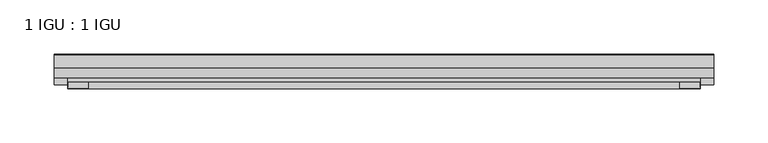
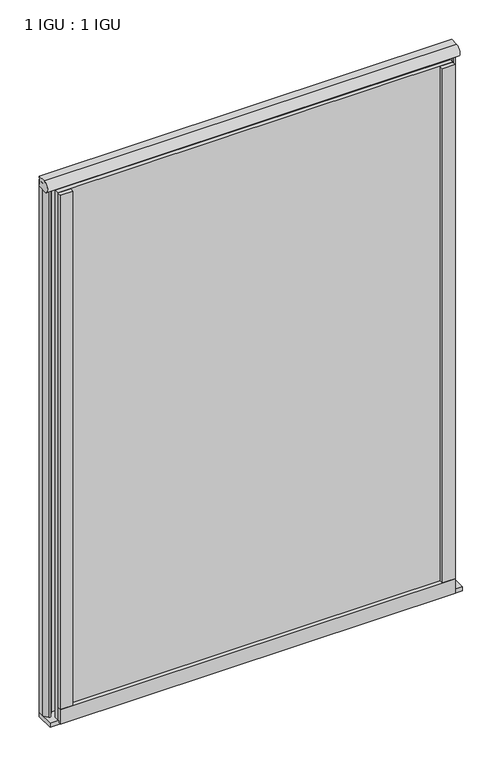
"""IFC4 building model written with IfcOpenShell, lengths in millimetres: plate geometry, 1 IGU : 1 IGU."""

from ifc_helpers import new_model, si_unit, point, frame, frame_2d, origin, place, context, project, spatial, polyline, circle_curve, ellipse_curve, trimmed, segment, composite_curve, outline, extrude, source, transform, mapped, element, save
from ifc_brep_helpers import plane_surface, revolved_surface, extruded_surface, advanced_brep


def plate_1_igu_1_igu_b84d0bbd(model_context):
    return source(origin(), model_context, "Body", "SolidModel", [
        extrude(outline(polyline([(292.1, 0.0021347), (292.1, -6.2992), (-292.1, -6.2992), (-292.1, 0.0021347), (292.1, 0.0021347)])), frame((0.0, 0.0, -19.05), z_axis=(0.0, 0.0, 1.0), x_axis=(1.0, 0.0, 0.0)), (0.0, 0.0, 1.0), 822.3250001),
        extrude(outline(polyline([(-292.1, -19.0986653), (292.1, -19.0986653), (292.1, -25.3978653), (-292.1, -25.3978653), (-292.1, -19.0986653)])), frame((0.0, 0.0, -19.05), z_axis=(0.0, 0.0, 1.0), x_axis=(1.0, 0.0, 0.0)), (0.0, 0.0, 1.0), 822.3250001),
        advanced_brep(
        [(304.8, -0.8454205, 819.1500001), (304.8, -12.7, 819.1500001), (304.8, -17.3907831, 803.2750001), (304.8, 0.0, 803.2750001), (-304.8, -0.8454205, 819.1500001), (-304.8, 0.0, 803.2750001), (-304.8, -17.3907831, 803.2750001), (-304.8, -12.7, 819.1500001)],
        [
            (0, 1),
            (1, 2, ellipse_curve(frame((304.8, -12.7, 810.6263315), z_axis=(1.0, 0.0, 0.0), x_axis=(0.0, -1.0, 0.0)), 9.2680588, 8.5236686)),
            (2, 3),
            (3, 0, circle_curve(frame((304.8, 29.6035756, 812.8115449), z_axis=(-1.0, 0.0, 0.0), x_axis=(0.0, 0.0, 1.0)), 31.1017263)),
            (4, 5, circle_curve(frame((-304.8, 29.6035756, 812.8115449), z_axis=(1.0, 0.0, 0.0), x_axis=(0.0, 0.0, 1.0)), 31.1017263)),
            (5, 6),
            (6, 7, ellipse_curve(frame((-304.8, -12.7, 810.6263315), z_axis=(-1.0, 0.0, 0.0), x_axis=(0.0, -1.0, 0.0)), 9.2680588, 8.5236686)),
            (7, 4),
            (0, 4),
            (7, 1),
            (6, 2),
            (5, 3),
        ],
        [
            plane_surface(frame((304.8, 0.0, 809.6250001), z_axis=(1.0, 0.0, 0.0), x_axis=(0.0, 1.0, 0.0))),
            plane_surface(frame((-304.8, 0.0, 809.6250001), z_axis=(-1.0, 0.0, 0.0), x_axis=(0.0, 1.0, 0.0))),
            plane_surface(frame((304.8, -0.8454205, 819.1500001), z_axis=(0.0, 0.0, 1.0), x_axis=(-1.0, 0.0, 0.0))),
            extruded_surface(trimmed(ellipse_curve(frame((-304.8, -12.7, 810.6263315), z_axis=(1.0, 0.0, 0.0), x_axis=(0.0, -1.0, 0.0)), 9.2680588, 8.5236686), [point((-304.8, -12.7, 819.1500001))], [point((-304.8, -17.3907831, 803.2750001))], True, "CARTESIAN"), (609.6, 0.0, 0.0), 609.6),
            plane_surface(frame((304.8, -17.3907831, 803.2750001), z_axis=(0.0, 0.0, -1.0), x_axis=(-1.0, 0.0, 0.0))),
            revolved_surface(polyline([(-304.8, 29.6035756, 843.9132711999999), (304.8, 29.6035756, 843.9132711999999)]), (304.8, 29.6035756, 812.8115449), (-1.0, 0.0, 0.0)),
        ],
        [
            (0, [[1, 2, 3, 4]]),
            (1, [[5, 6, 7, 8]]),
            (2, [[-1, 9, -8, 10]]),
            (3, [[-2, -10, -7, 11]]),
            (4, [[-3, -11, -6, 12]]),
            (5, [[-4, -12, -5, -9]]),
        ],
    ),
        extrude(outline(composite_curve([segment(trimmed(circle_curve(frame_2d((10.9021792, -22.6833935)), 11.4916952), [point((0.0, -19.05))], [point((-0.2638007, -25.4))], True, "CARTESIAN"), True, "CONTINUOUS"), segment(polyline([(-0.2638007, -25.4), (-27.9952564, -25.4), (-27.9952564, -19.05), (0.0, -19.05)]), True, "CONTINUOUS")], self_intersect=False)), frame((-304.8, 0.0, 0.0), z_axis=(1.0, 0.0, 0.0), x_axis=(0.0, 1.0, 0.0)), (0.0, 0.0, 1.0), 609.6),
        extrude(outline(composite_curve([segment(polyline([(304.8, 0.0), (304.8, -9.7395025), (299.2337691, -16.3730781)]), True, "CONTINUOUS"), segment(trimmed(circle_curve(frame_2d((298.2800941, -15.7728374)), 1.1268473), [point((299.2337691, -16.3730781))], [point((297.1791412, -16.0130197))], False, "CARTESIAN"), True, "CONTINUOUS"), segment(polyline([(297.1791412, -16.0130197), (296.1989498, -11.7377885)]), True, "CONTINUOUS"), segment(trimmed(circle_curve(frame_2d((296.0714979, -7.7683362)), 3.9714979), [point((296.1989498, -11.7377885))], [point((292.1001786, -7.8060014))], False, "CARTESIAN"), True, "CONTINUOUS"), segment(polyline([(292.1001786, -7.8060014), (292.1001786, 0.0), (304.8, 0.0)]), True, "CONTINUOUS")], self_intersect=False)), frame((0.0, 0.0, -19.05), z_axis=(0.0, 0.0, 1.0), x_axis=(1.0, 0.0, 0.0)), (0.0, 0.0, 1.0), 832.6374001),
        extrude(outline(composite_curve([segment(polyline([(-292.1, 8.8e-06), (-292.1, -7.7683362)]), True, "CONTINUOUS"), segment(trimmed(circle_curve(frame_2d((-296.0714979, -7.7683362)), 3.9714979), [point((-292.1, -7.7683362))], [point((-296.1989498, -11.7377885))], False, "CARTESIAN"), True, "CONTINUOUS"), segment(polyline([(-296.1989498, -11.7377885), (-297.1789843, -16.012436)]), True, "CONTINUOUS"), segment(trimmed(circle_curve(frame_2d((-298.2801933, -15.7723555)), 1.1270758), [point((-297.1789843, -16.012436))], [point((-299.2340327, -16.372764))], False, "CARTESIAN"), True, "CONTINUOUS"), segment(polyline([(-299.2340327, -16.372764), (-304.8, -9.7395025), (-304.8, 8.8e-06), (-292.1, 8.8e-06)]), True, "CONTINUOUS")], self_intersect=False)), frame((0.0, 0.0, -19.05), z_axis=(0.0, 0.0, 1.0), x_axis=(1.0, 0.0, 0.0)), (0.0, 0.0, 1.0), 832.6374001),
        extrude(outline(composite_curve([segment(polyline([(-31.75, 0.0), (-25.4, 0.0), (-25.4, -22.225)]), True, "CONTINUOUS"), segment(trimmed(circle_curve(frame_2d((-28.575, -28.9113452)), 7.4018806), [point((-25.4, -22.225))], [point((-31.75, -22.225))], True, "CARTESIAN"), True, "CONTINUOUS"), segment(polyline([(-31.75, -22.225), (-31.75, 0.0)]), True, "CONTINUOUS")], self_intersect=False)), frame((-292.1, 0.0, 0.0), z_axis=(1.0, 0.0, 0.0), x_axis=(0.0, 1.0, 0.0)), (0.0, 0.0, 1.0), 584.2),
        extrude(outline(composite_curve([segment(polyline([(273.05, -25.4), (292.1, -25.4)]), True, "CONTINUOUS"), segment(trimmed(circle_curve(frame_2d((301.5661507, -28.575)), 9.9844196), [point((292.1, -25.4))], [point((292.1, -31.75))], True, "CARTESIAN"), True, "CONTINUOUS"), segment(polyline([(292.1, -31.75), (273.05, -31.75), (273.05, -25.4)]), True, "CONTINUOUS")], self_intersect=False)), frame((0.0, 0.0, -19.05), z_axis=(0.0, 0.0, 1.0), x_axis=(1.0, 0.0, 0.0)), (0.0, 0.0, 1.0), 822.3250001),
        extrude(outline(composite_curve([segment(trimmed(circle_curve(frame_2d((-301.5661507, -28.575)), 9.9844196), [point((-292.1, -31.75))], [point((-292.1, -25.4))], True, "CARTESIAN"), True, "CONTINUOUS"), segment(polyline([(-292.1, -25.4), (-273.05, -25.4), (-273.05, -31.75), (-292.1, -31.75)]), True, "CONTINUOUS")], self_intersect=False)), frame((0.0, 0.0, -19.05), z_axis=(0.0, 0.0, 1.0), x_axis=(1.0, 0.0, 0.0)), (0.0, 0.0, 1.0), 822.3250001),
    ])


if __name__ == "__main__":
    model = new_model("IFC4")
    model_context = context("Model", 3, world=origin())
    ifc_project = project(units=[si_unit("LENGTHUNIT", "METRE", prefix="MILLI")], contexts=[model_context])
    site = spatial("IfcSite", under=ifc_project)
    building = spatial("IfcBuilding", under=site)
    placement = place(None, origin())
    plate_1_igu_1_igu_shape = plate_1_igu_1_igu_b84d0bbd(model_context)
    element("IfcPlate", 1, ObjectType="1 IGU : 1 IGU", at=placement, inside=building, context=model_context, shape_type="MappedRepresentation", body=[
        mapped(plate_1_igu_1_igu_shape, transform((0.0, 0.0, 0.0), x_axis=(1.0, 0.0, 0.0), y_axis=(0.0, 1.0, 0.0), z_axis=(0.0, 0.0, 1.0))),
    ])
    save(model, "model.ifc")
